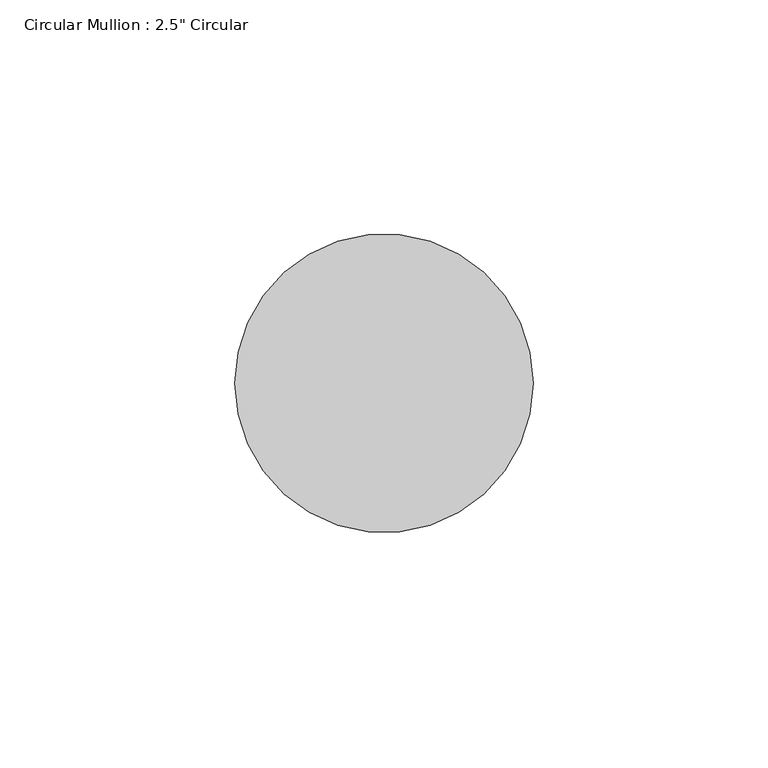
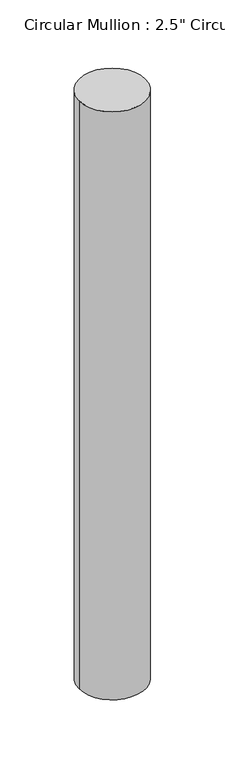
"""IFC4 building model written with IfcOpenShell, lengths in millimetres: member geometry."""

import ifcopenshell
import ifcopenshell.guid

model = None  # the IFC model being written
_history = None  # IfcOwnerHistory: only IFC2X3 demands one
_inside = {}  # id of a spatial element -> (the spatial element, [elements in it])
_under = {}  # id of a project, library or spatial element -> (it, [spatial elements below it])
_declared = {}  # id of a project -> (the project, [libraries it declares])
_typed = {}  # id of a type object -> (the type object, [elements of that type])
_made_of = {}  # id of a material, layer set ... -> (it, [elements and type objects made of it])


def new_model(schema):
    """Start an empty IFC model of exactly this schema.

    Asked for "IFC4X3", IfcOpenShell would pick the latest addendum, in which some entities
    have other attributes; the version numbers below select the first issue.
    IFC2X3 requires an IfcOwnerHistory on every rooted entity: one is made here for all.
    """
    global model, _history
    if schema == "IFC4X3":
        model = ifcopenshell.file(schema_version=(4, 3, 0, 0))
    else:
        model = ifcopenshell.file(schema=schema)
    _inside.clear()
    _under.clear()
    _declared.clear()
    _typed.clear()
    _made_of.clear()
    _history = None
    if model.schema == "IFC2X3":
        org = make("IfcOrganization", Name="unknown")
        user = make(
            "IfcPersonAndOrganization",
            ThePerson=make("IfcPerson", FamilyName="unknown"),
            TheOrganization=org,
        )
        app = make(
            "IfcApplication",
            ApplicationDeveloper=org,
            Version="unknown",
            ApplicationFullName="unknown",
            ApplicationIdentifier="unknown",
        )
        _history = make(
            "IfcOwnerHistory",
            OwningUser=user,
            OwningApplication=app,
            ChangeAction="ADDED",
            CreationDate=0,
        )
    return model


def make(cls, **values):
    """One entity of the class cls with the attributes given. An attribute that is None is left unset."""
    return model.create_entity(
        cls, **{name: value for name, value in values.items() if value is not None}
    )


def rooted(cls, **values):
    """An entity with a GlobalId (a new one), such as an element, a storey or a relation."""
    return make(cls, GlobalId=ifcopenshell.guid.new(), OwnerHistory=_history, **values)


def si_unit(unit_type, name, prefix=None):
    """IfcSIUnit, for example si_unit("LENGTHUNIT", "METRE", prefix="MILLI")."""
    return make("IfcSIUnit", UnitType=unit_type, Prefix=prefix, Name=name)


def assignment(units):
    """IfcUnitAssignment: the units of a project."""
    return None if units is None else make("IfcUnitAssignment", Units=units)


def point(xyz):
    """IfcCartesianPoint."""
    return None if xyz is None else make("IfcCartesianPoint", Coordinates=xyz)


def direction(xyz):
    """IfcDirection."""
    return None if xyz is None else make("IfcDirection", DirectionRatios=xyz)


def frame(location, z_axis=None, x_axis=None):
    """IfcAxis2Placement3D, a coordinate frame: its origin and axes. An axis left out is left unset."""
    return make(
        "IfcAxis2Placement3D",
        Location=point(location),
        Axis=direction(z_axis),
        RefDirection=direction(x_axis),
    )


def frame_2d(location, x_axis=None):
    """IfcAxis2Placement2D, a coordinate frame in the plane: its origin and x axis."""
    return make(
        "IfcAxis2Placement2D", Location=point(location), RefDirection=direction(x_axis)
    )


def origin():
    """The frame at (0, 0, 0) with its axes left unset."""
    return frame((0.0, 0.0, 0.0))


def origin_2d():
    """The frame at (0, 0) in the plane with its x axis left unset."""
    return frame_2d((0.0, 0.0))


def place(relative_to, where):
    """IfcLocalPlacement: puts the frame where relative to a parent placement (None: the world)."""
    return make(
        "IfcLocalPlacement", PlacementRelTo=relative_to, RelativePlacement=where
    )


def context(
    kind, dimensions, precision=None, world=None, true_north=None, identifier=None
):
    """IfcGeometricRepresentationContext, for example the 3D "Model" context."""
    return make(
        "IfcGeometricRepresentationContext",
        ContextIdentifier=identifier,
        ContextType=kind,
        CoordinateSpaceDimension=dimensions,
        Precision=precision,
        WorldCoordinateSystem=world,
        TrueNorth=true_north,
    )


def project(units=None, contexts=None):
    """IfcProject with its units and contexts."""
    return rooted(
        "IfcProject",
        Name="project",
        RepresentationContexts=contexts,
        UnitsInContext=assignment(units),
    )


def spatial(cls, under=None, at=None, **own):
    """A site, building, storey or space (cls), placed at a placement, below another one or the project."""
    s = rooted(cls, ObjectPlacement=at, **own)
    if under is not None:
        _under.setdefault(under.id(), (under, []))[1].append(s)
    return s


def circle_curve(where, radius):
    """IfcCircle in the frame where."""
    return make("IfcCircle", Position=where, Radius=radius)


def trimmed(basis, trim1, trim2, sense, master):
    """IfcTrimmedCurve: the piece of a basis curve between two trims."""
    return make(
        "IfcTrimmedCurve",
        BasisCurve=basis,
        Trim1=trim1,
        Trim2=trim2,
        SenseAgreement=sense,
        MasterRepresentation=master,
    )


def segment(curve, same_sense, transition):
    """IfcCompositeCurveSegment."""
    return make(
        "IfcCompositeCurveSegment",
        Transition=transition,
        SameSense=same_sense,
        ParentCurve=curve,
    )


def composite_curve(segments, self_intersect=None):
    """IfcCompositeCurve: segments joined end to end."""
    return make("IfcCompositeCurve", Segments=segments, SelfIntersect=self_intersect)


def outline(outer, holes=None, kind="AREA"):
    """IfcArbitraryClosedProfileDef: a profile drawn as a closed curve; with holes, ...WithVoids."""
    if holes is None:
        return make("IfcArbitraryClosedProfileDef", ProfileType=kind, OuterCurve=outer)
    return make(
        "IfcArbitraryProfileDefWithVoids",
        ProfileType=kind,
        OuterCurve=outer,
        InnerCurves=holes,
    )


def extrude(swept, where, along, depth):
    """IfcExtrudedAreaSolid: the profile swept, set in the frame where, extruded along a direction by depth."""
    return make(
        "IfcExtrudedAreaSolid",
        SweptArea=swept,
        Position=where,
        ExtrudedDirection=direction(along),
        Depth=depth,
    )


def shape(context_of_items, identifier, shape_type, items):
    """IfcShapeRepresentation: the items that make up one representation, for example the "Body"."""
    return make(
        "IfcShapeRepresentation",
        ContextOfItems=context_of_items,
        RepresentationIdentifier=identifier,
        RepresentationType=shape_type,
        Items=items,
    )


def source(mapping_origin, context_of_items, identifier, shape_type, items):
    """IfcRepresentationMap: a shape defined once, which mapped items show again and again."""
    return make(
        "IfcRepresentationMap",
        MappingOrigin=mapping_origin,
        MappedRepresentation=shape(context_of_items, identifier, shape_type, items),
    )


def transform(
    local_origin,
    x_axis=None,
    y_axis=None,
    z_axis=None,
    scale=None,
    scale2=None,
    scale3=None,
    uniform=True,
):
    """IfcCartesianTransformationOperator3D, or its non-uniform kind. x_axis, y_axis, z_axis: its Axis1, 2, 3."""
    if uniform:
        return make(
            "IfcCartesianTransformationOperator3D",
            Axis1=direction(x_axis),
            Axis2=direction(y_axis),
            LocalOrigin=point(local_origin),
            Scale=scale,
            Axis3=direction(z_axis),
        )
    return make(
        "IfcCartesianTransformationOperator3DnonUniform",
        Axis1=direction(x_axis),
        Axis2=direction(y_axis),
        LocalOrigin=point(local_origin),
        Scale=scale,
        Axis3=direction(z_axis),
        Scale2=scale2,
        Scale3=scale3,
    )


def mapped(mapping_source, mapping_target):
    """IfcMappedItem: shows the shape of a source again, moved by a transform."""
    return make(
        "IfcMappedItem", MappingSource=mapping_source, MappingTarget=mapping_target
    )


def made_of(thing, what):
    """Note that an element or type object is made of a material, layer set ...; save() writes the relation."""
    if what is not None:
        _made_of.setdefault(what.id(), (what, []))[1].append(thing)
    return thing


def element(
    cls,
    number,
    at=None,
    inside=None,
    cuts=None,
    type_object=None,
    material=None,
    context=None,
    identifier="Body",
    shape_type=None,
    held_by="IfcProductDefinitionShape",
    body=None,
    shapes=None,
    **own,
):
    """One element of the class cls, such as IfcWall. Its Tag is "e" and its number.

    at: its placement. inside: the storey or other place that contains it. cuts: it is an
    opening in that element (IfcRelVoidsElement). A single representation is given by context,
    identifier, shape_type and body (its items); several are given by shapes. held_by: the class
    of the entity that holds the representations. save() writes the other relations.
    """
    e = rooted(cls, Tag="e%d" % number, ObjectPlacement=at, **own)
    if body is not None:
        shapes = [shape(context, identifier, shape_type, body)]
    if shapes is not None:
        e.Representation = make(held_by, Representations=shapes)
    if inside is not None:
        _inside.setdefault(inside.id(), (inside, []))[1].append(e)
    if cuts is not None:
        rooted(
            "IfcRelVoidsElement", RelatingBuildingElement=cuts, RelatedOpeningElement=e
        )
    if type_object is not None:
        _typed.setdefault(type_object.id(), (type_object, []))[1].append(e)
    return made_of(e, material)


def aggregate(whole, parts):
    """IfcRelAggregates: a whole, such as a stair, and the parts it consists of."""
    return rooted("IfcRelAggregates", RelatingObject=whole, RelatedObjects=parts)


def save(model, path):
    """Write the relations noted so far, then the file.

    IfcRelAggregates (storeys below a building ...), IfcRelContainedInSpatialStructure (elements
    in a storey), IfcRelDefinesByType, IfcRelAssociatesMaterial and IfcRelDeclares: one each for
    every whole, place, type object, material and project.
    """
    for whole, parts in _under.values():
        aggregate(whole, parts)
    for where, things in _inside.values():
        rooted(
            "IfcRelContainedInSpatialStructure",
            RelatedElements=things,
            RelatingStructure=where,
        )
    for kind, things in _typed.values():
        rooted("IfcRelDefinesByType", RelatedObjects=things, RelatingType=kind)
    for what, things in _made_of.values():
        rooted("IfcRelAssociatesMaterial", RelatedObjects=things, RelatingMaterial=what)
    for by, libraries in _declared.values():
        rooted("IfcRelDeclares", RelatingContext=by, RelatedDefinitions=libraries)
    model.write(path)


def member_b82621e2(model_context):
    return source(origin(), model_context, "Body", "SweptSolid", [
        extrude(outline(composite_curve([segment(trimmed(circle_curve(origin_2d(), 31.75), [point((31.75, 0.0))], [point((-31.75, 0.0))], False, "CARTESIAN"), True, "CONTINUOUS"), segment(trimmed(circle_curve(origin_2d(), 31.75), [point((-31.75, 0.0))], [point((31.75, 0.0))], False, "CARTESIAN"), True, "CONTINUOUS")], self_intersect=False)), frame((0.0, 0.0, -596.5), z_axis=(0.0, 0.0, 1.0), x_axis=(1.0, 0.0, 0.0)), (0.0, 0.0, 1.0), 596.5),
    ])


if __name__ == "__main__":
    model = new_model("IFC4")
    model_context = context("Model", 3, world=origin())
    ifc_project = project(units=[si_unit("LENGTHUNIT", "METRE", prefix="MILLI")], contexts=[model_context])
    site = spatial("IfcSite", under=ifc_project)
    building = spatial("IfcBuilding", under=site)
    placement = place(None, origin())
    member_shape = member_b82621e2(model_context)
    element("IfcMember", 1, ObjectType="Circular Mullion : 2.5\" Circular", at=placement, inside=building, context=model_context, shape_type="MappedRepresentation", body=[
        mapped(member_shape, transform((0.0, 0.0, 0.0), x_axis=(1.0, 0.0, 0.0), y_axis=(0.0, 1.0, 0.0), z_axis=(0.0, 0.0, 1.0))),
    ])
    save(model, "model.ifc")
